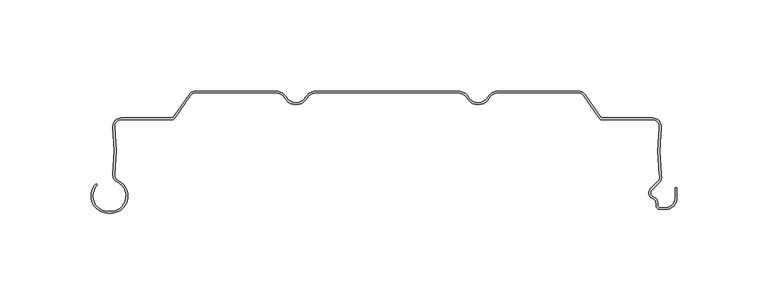
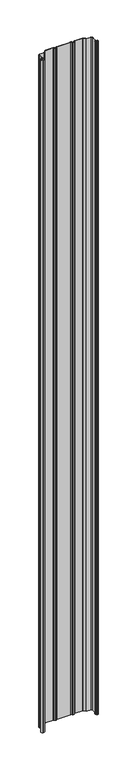
"""IFC4 building model written with IfcOpenShell, lengths in millimetres: plate geometry."""

from ifc_helpers import new_model, si_unit, point, frame_2d, origin, origin_with_axes, place, context, project, spatial, polyline, circle_curve, trimmed, segment, composite_curve, outline, extrude, source, transform, mapped, element, save


def plate_37280232(model_context):
    return source(origin(), model_context, "Body", "SweptSolid", [
        extrude(outline(composite_curve([segment(polyline([(-153.0602536, -66.1554676), (-151.8062536, -66.1554676)]), True, "CONTINUOUS"), segment(trimmed(circle_curve(frame_2d((-151.8062536, -57.6554676)), 8.5), [point((-151.8062536, -66.1554676))], [point((-148.2302226, -49.9443067))], True, "CARTESIAN"), True, "CONTINUOUS"), segment(trimmed(circle_curve(frame_2d((-146.5053136, -46.2248056)), 4.1), [point((-148.2302226, -49.9443067))], [point((-150.5713666, -45.6982956))], False, "CARTESIAN"), True, "CONTINUOUS"), segment(trimmed(circle_curve(frame_2d((-249.2475316, -32.9207976)), 99.5), [point((-150.5713666, -45.6982956))], [point((-150.5775105, -20.0959415))], True, "CARTESIAN"), True, "CONTINUOUS"), segment(trimmed(circle_curve(frame_2d((-145.9167155, -19.4901443)), 4.7), [point((-150.5775105, -20.0959415))], [point((-145.9167155, -14.7901443))], False, "CARTESIAN"), True, "CONTINUOUS"), segment(polyline([(-145.9167155, -14.7901443), (-118.1998235, -14.7901443)]), True, "CONTINUOUS"), segment(trimmed(circle_curve(frame_2d((-118.1998235, -13.8401443)), 0.95), [point((-118.1998235, -14.7901443))], [point((-117.4216291, -14.3850419))], True, "CARTESIAN"), True, "CONTINUOUS"), segment(polyline([(-117.4216291, -14.3850419), (-108.7524638, -2.0041907)]), True, "CONTINUOUS"), segment(trimmed(circle_curve(frame_2d((-104.9024492, -4.7)), 4.7), [point((-108.7524638, -2.0041907))], [point((-104.9024492, 0.0))], False, "CARTESIAN"), True, "CONTINUOUS"), segment(polyline([(-104.9024492, 0.0), (-61.2583302, 0.0)]), True, "CONTINUOUS"), segment(trimmed(circle_curve(frame_2d((-61.2583302, -7.0)), 7.0), [point((-61.2583302, 0.0))], [point((-55.1961524, -3.5))], False, "CARTESIAN"), True, "CONTINUOUS"), segment(trimmed(circle_curve(frame_2d((-50.0, -0.5)), 6.0), [point((-55.1961524, -3.5))], [point((-50.0, -6.5))], True, "CARTESIAN"), True, "CONTINUOUS"), segment(trimmed(circle_curve(frame_2d((-50.0, -0.5)), 6.0), [point((-50.0, -6.5))], [point((-44.8038476, -3.5))], True, "CARTESIAN"), True, "CONTINUOUS"), segment(trimmed(circle_curve(frame_2d((-38.7416698, -7.0)), 7.0), [point((-44.8038476, -3.5))], [point((-38.7416698, 0.0))], False, "CARTESIAN"), True, "CONTINUOUS"), segment(polyline([(-38.7416698, 0.0), (38.7416698, 0.0)]), True, "CONTINUOUS"), segment(trimmed(circle_curve(frame_2d((38.7416698, -7.0)), 7.0), [point((38.7416698, 0.0))], [point((44.8038476, -3.5))], False, "CARTESIAN"), True, "CONTINUOUS"), segment(trimmed(circle_curve(frame_2d((50.0, -0.5)), 6.0), [point((44.8038476, -3.5))], [point((50.0, -6.5))], True, "CARTESIAN"), True, "CONTINUOUS"), segment(trimmed(circle_curve(frame_2d((50.0, -0.5)), 6.0), [point((50.0, -6.5))], [point((55.1961524, -3.5))], True, "CARTESIAN"), True, "CONTINUOUS"), segment(trimmed(circle_curve(frame_2d((61.2583302, -7.0)), 7.0), [point((55.1961524, -3.5))], [point((61.2583302, 0.0))], False, "CARTESIAN"), True, "CONTINUOUS"), segment(polyline([(61.2583302, 0.0), (104.9024492, 0.0)]), True, "CONTINUOUS"), segment(trimmed(circle_curve(frame_2d((104.9024492, -4.7)), 4.7), [point((104.9024492, 0.0))], [point((108.7524638, -2.0041907))], False, "CARTESIAN"), True, "CONTINUOUS"), segment(polyline([(108.7524638, -2.0041907), (117.4216291, -14.3850419)]), True, "CONTINUOUS"), segment(trimmed(circle_curve(frame_2d((118.1998235, -13.8401443)), 0.95), [point((117.4216291, -14.3850419))], [point((118.1998235, -14.7901443))], True, "CARTESIAN"), True, "CONTINUOUS"), segment(polyline([(118.1998235, -14.7901443), (145.9167155, -14.7901443)]), True, "CONTINUOUS"), segment(trimmed(circle_curve(frame_2d((145.9167155, -19.4901443)), 4.7), [point((145.9167155, -14.7901443))], [point((150.5775105, -20.0959415))], False, "CARTESIAN"), True, "CONTINUOUS"), segment(trimmed(circle_curve(frame_2d((249.2475316, -32.9207976)), 99.5), [point((150.5775105, -20.0959415))], [point((150.5760442, -45.7343672))], True, "CARTESIAN"), True, "CONTINUOUS"), segment(trimmed(circle_curve(frame_2d((146.0684535, -47.0653915)), 4.7), [point((150.5760442, -45.7343672))], [point((149.4270442, -50.3532279))], False, "CARTESIAN"), True, "CONTINUOUS"), segment(polyline([(149.4270442, -50.3532279), (145.3931689, -54.3871033)]), True, "CONTINUOUS"), segment(trimmed(circle_curve(frame_2d((146.9488038, -55.9427382)), 2.2), [point((145.3931689, -54.3871033))], [point((146.1238712, -57.98222))], True, "CARTESIAN"), True, "CONTINUOUS"), segment(trimmed(circle_curve(frame_2d((144.549, -61.8757763)), 4.2), [point((146.1238712, -57.98222))], [point((148.749, -61.8757763))], False, "CARTESIAN"), True, "CONTINUOUS"), segment(polyline([(148.749, -61.8757763), (148.749, -63.0)]), True, "CONTINUOUS"), segment(trimmed(circle_curve(frame_2d((149.749, -63.0)), 1.0), [point((148.749, -63.0))], [point((149.749, -64.0))], True, "CARTESIAN"), True, "CONTINUOUS"), segment(polyline([(149.749, -64.0), (153.05, -64.0)]), True, "CONTINUOUS"), segment(trimmed(circle_curve(frame_2d((153.05, -58.8)), 5.2), [point((153.05, -64.0))], [point((158.25, -58.8))], True, "CARTESIAN"), True, "CONTINUOUS"), segment(polyline([(158.25, -58.8), (158.25, -53.169), (159.25, -53.169), (159.25, -58.8)]), True, "CONTINUOUS"), segment(trimmed(circle_curve(frame_2d((153.05, -58.8)), 6.2), [point((159.25, -58.8))], [point((153.05, -65.0))], False, "CARTESIAN"), True, "CONTINUOUS"), segment(polyline([(153.05, -65.0), (149.749, -65.0)]), True, "CONTINUOUS"), segment(trimmed(circle_curve(frame_2d((149.749, -63.0)), 2.0), [point((149.749, -65.0))], [point((147.749, -63.0))], False, "CARTESIAN"), True, "CONTINUOUS"), segment(polyline([(147.749, -63.0), (147.749, -61.8757763)]), True, "CONTINUOUS"), segment(trimmed(circle_curve(frame_2d((144.549, -61.8757763)), 3.2), [point((147.749, -61.8757763))], [point((145.7489019, -58.9092572))], True, "CARTESIAN"), True, "CONTINUOUS"), segment(trimmed(circle_curve(frame_2d((146.9488038, -55.9427382)), 3.2), [point((145.7489019, -58.9092572))], [point((144.6860621, -53.6799965))], False, "CARTESIAN"), True, "CONTINUOUS"), segment(polyline([(144.6860621, -53.6799965), (148.7159489, -49.6501096)]), True, "CONTINUOUS"), segment(trimmed(circle_curve(frame_2d((146.0684535, -47.0653915)), 3.7), [point((148.7159489, -49.6501096))], [point((149.5952383, -45.9465578))], True, "CARTESIAN"), True, "CONTINUOUS"), segment(trimmed(circle_curve(frame_2d((249.2475316, -32.9207976)), 100.5), [point((149.5952383, -45.9465578))], [point((149.585852, -19.9670485))], False, "CARTESIAN"), True, "CONTINUOUS"), segment(trimmed(circle_curve(frame_2d((145.9167155, -19.4901443)), 3.7), [point((149.585852, -19.9670485))], [point((145.9167155, -15.7901443))], True, "CARTESIAN"), True, "CONTINUOUS"), segment(polyline([(145.9167155, -15.7901443), (118.1998235, -15.7901443)]), True, "CONTINUOUS"), segment(trimmed(circle_curve(frame_2d((118.1998235, -13.8401443)), 1.95), [point((118.1998235, -15.7901443))], [point((116.6024771, -14.9586183))], False, "CARTESIAN"), True, "CONTINUOUS"), segment(polyline([(116.6024771, -14.9586183), (107.9333118, -2.5777672)]), True, "CONTINUOUS"), segment(trimmed(circle_curve(frame_2d((104.9024492, -4.7)), 3.7), [point((107.9333118, -2.5777672))], [point((104.9024492, -1.0))], True, "CARTESIAN"), True, "CONTINUOUS"), segment(polyline([(104.9024492, -1.0), (61.2583302, -1.0)]), True, "CONTINUOUS"), segment(trimmed(circle_curve(frame_2d((61.2583302, -7.0)), 6.0), [point((61.2583302, -1.0))], [point((56.0621778, -4.0))], True, "CARTESIAN"), True, "CONTINUOUS"), segment(trimmed(circle_curve(frame_2d((50.0, -0.5)), 7.0), [point((56.0621778, -4.0))], [point((50.0, -7.5))], False, "CARTESIAN"), True, "CONTINUOUS"), segment(trimmed(circle_curve(frame_2d((50.0, -0.5)), 7.0), [point((50.0, -7.5))], [point((43.9378222, -4.0))], False, "CARTESIAN"), True, "CONTINUOUS"), segment(trimmed(circle_curve(frame_2d((38.7416698, -7.0)), 6.0), [point((43.9378222, -4.0))], [point((38.7416698, -1.0))], True, "CARTESIAN"), True, "CONTINUOUS"), segment(polyline([(38.7416698, -1.0), (-38.7416698, -1.0)]), True, "CONTINUOUS"), segment(trimmed(circle_curve(frame_2d((-38.7416698, -7.0)), 6.0), [point((-38.7416698, -1.0))], [point((-43.9378222, -4.0))], True, "CARTESIAN"), True, "CONTINUOUS"), segment(trimmed(circle_curve(frame_2d((-50.0, -0.5)), 7.0), [point((-43.9378222, -4.0))], [point((-50.0, -7.5))], False, "CARTESIAN"), True, "CONTINUOUS"), segment(trimmed(circle_curve(frame_2d((-50.0, -0.5)), 7.0), [point((-50.0, -7.5))], [point((-56.0621778, -4.0))], False, "CARTESIAN"), True, "CONTINUOUS"), segment(trimmed(circle_curve(frame_2d((-61.2583302, -7.0)), 6.0), [point((-56.0621778, -4.0))], [point((-61.2583302, -1.0))], True, "CARTESIAN"), True, "CONTINUOUS"), segment(polyline([(-61.2583302, -1.0), (-104.9024492, -1.0)]), True, "CONTINUOUS"), segment(trimmed(circle_curve(frame_2d((-104.9024492, -4.7)), 3.7), [point((-104.9024492, -1.0))], [point((-107.9333118, -2.5777672))], True, "CARTESIAN"), True, "CONTINUOUS"), segment(polyline([(-107.9333118, -2.5777672), (-116.6024771, -14.9586183)]), True, "CONTINUOUS"), segment(trimmed(circle_curve(frame_2d((-118.1998235, -13.8401443)), 1.95), [point((-116.6024771, -14.9586183))], [point((-118.1998235, -15.7901443))], False, "CARTESIAN"), True, "CONTINUOUS"), segment(polyline([(-118.1998235, -15.7901443), (-145.9167155, -15.7901443)]), True, "CONTINUOUS"), segment(trimmed(circle_curve(frame_2d((-145.9167155, -19.4901443)), 3.7), [point((-145.9167155, -15.7901443))], [point((-149.585852, -19.9670485))], True, "CARTESIAN"), True, "CONTINUOUS"), segment(trimmed(circle_curve(frame_2d((-249.2475316, -32.9207976)), 100.5), [point((-149.585852, -19.9670485))], [point((-149.5796464, -45.8267127))], False, "CARTESIAN"), True, "CONTINUOUS"), segment(trimmed(circle_curve(frame_2d((-146.5053136, -46.2248056)), 3.1), [point((-149.5796464, -45.8267127))], [point((-147.8095131, -49.0371113))], True, "CARTESIAN"), True, "CONTINUOUS"), segment(trimmed(circle_curve(frame_2d((-151.8062536, -57.6554676)), 9.5), [point((-147.8095131, -49.0371113))], [point((-151.8062536, -67.1554676))], False, "CARTESIAN"), True, "CONTINUOUS"), segment(polyline([(-151.8062536, -67.1554676), (-153.0602536, -67.1554676)]), True, "CONTINUOUS"), segment(trimmed(circle_curve(frame_2d((-153.0602536, -57.6554676)), 9.5), [point((-153.0602536, -67.1554676))], [point((-159.777768, -50.9379532))], False, "CARTESIAN"), True, "CONTINUOUS"), segment(polyline([(-159.777768, -50.9379532), (-159.0706612, -51.64506)]), True, "CONTINUOUS"), segment(trimmed(circle_curve(frame_2d((-153.0602536, -57.6554676)), 8.5), [point((-159.0706612, -51.64506))], [point((-153.0602536, -66.1554676))], True, "CARTESIAN"), True, "CONTINUOUS")], self_intersect=False)), origin_with_axes(), (0.0, 0.0, 1.0), 4000.0),
    ])


if __name__ == "__main__":
    model = new_model("IFC4")
    model_context = context("Model", 3, world=origin())
    ifc_project = project(units=[si_unit("LENGTHUNIT", "METRE", prefix="MILLI")], contexts=[model_context])
    site = spatial("IfcSite", under=ifc_project)
    building = spatial("IfcBuilding", under=site)
    placement = place(None, origin())
    plate_shape = plate_37280232(model_context)
    element("IfcPlate", 1, at=placement, inside=building, context=model_context, shape_type="MappedRepresentation", body=[
        mapped(plate_shape, transform((0.0, 0.0, 0.0), x_axis=(1.0, 0.0, 0.0), y_axis=(0.0, 1.0, 0.0), z_axis=(0.0, 0.0, 1.0))),
    ])
    save(model, "model.ifc")
